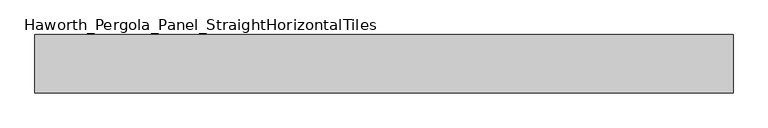
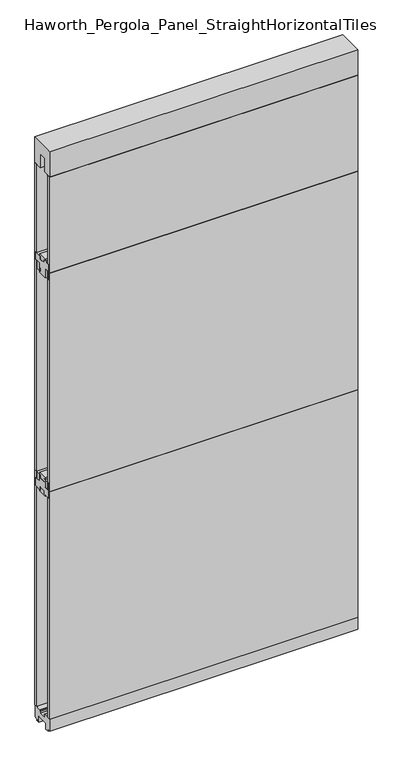
"""IFC4 building model written with IfcOpenShell, lengths in millimetres: furniture geometry, Haworth_Pergola_Panel_StraightHorizontalTiles."""

from ifc_helpers import new_model, si_unit, frame, origin, place, context, project, spatial, polyline, outline, extrude, source, transform, mapped, element, save


def haworth_pergola_panel_straighthorizontaltiles_8d0c8581(model_context):
    return source(origin(), model_context, "Body", "SweptSolid", [
        extrude(outline(polyline([(12.7, 984.25), (12.7, 996.95), (-12.7, 996.95), (-12.7, 984.25), (-44.45, 984.25), (-44.45, 1016.0), (-19.05, 1016.0), (-19.05, 1054.1), (19.05, 1054.1), (19.05, 1016.0), (44.45, 1016.0), (44.45, 984.25), (12.7, 984.25)])), frame((-571.5, 0.0, 0.0), z_axis=(1.0, 0.0, 0.0), x_axis=(0.0, 1.0, 0.0)), (0.0, 0.0, 1.0), 1219.2),
        extrude(outline(polyline([(12.7, 1962.15), (44.45, 1962.15), (44.45, 1930.4), (19.05, 1930.4), (19.05, 1892.3), (-19.05, 1892.3), (-19.05, 1930.4), (-44.45, 1930.4), (-44.45, 1962.15), (-12.7, 1962.15), (-12.7, 1949.45), (12.7, 1949.45), (12.7, 1962.15)])), frame((-571.5, 0.0, 0.0), z_axis=(1.0, 0.0, 0.0), x_axis=(0.0, 1.0, 0.0)), (0.0, 0.0, 1.0), 1219.2),
        extrude(outline(polyline([(-571.5, 50.8), (647.7, 50.8), (647.7, 38.1), (-571.5, 38.1), (-571.5, 50.8)])), frame((0.0, 0.0, 1016.0), z_axis=(0.0, 0.0, 1.0), x_axis=(1.0, 0.0, 0.0)), (0.0, 0.0, 1.0), 914.4),
        extrude(outline(polyline([(-571.5, -38.1), (647.7, -38.1), (647.7, -50.8), (-571.5, -50.8), (-571.5, -38.1)])), frame((0.0, 0.0, 1016.0), z_axis=(0.0, 0.0, 1.0), x_axis=(1.0, 0.0, 0.0)), (0.0, 0.0, 1.0), 914.4),
        extrude(outline(polyline([(12.7, 1898.65), (12.7, 1911.35), (-12.7, 1911.35), (-12.7, 1898.65), (-44.45, 1898.65), (-44.45, 1930.4), (-19.05, 1930.4), (-19.05, 1968.5), (19.05, 1968.5), (19.05, 1930.4), (44.45, 1930.4), (44.45, 1898.65), (12.7, 1898.65)])), frame((-571.5, 0.0, 0.0), z_axis=(1.0, 0.0, 0.0), x_axis=(0.0, 1.0, 0.0)), (0.0, 0.0, 1.0), 1219.2),
        extrude(outline(polyline([(-571.5, 50.8), (647.7, 50.8), (647.7, 38.1), (-571.5, 38.1), (-571.5, 50.8)])), frame((0.0, 0.0, 1930.4), z_axis=(0.0, 0.0, 1.0), x_axis=(1.0, 0.0, 0.0)), (0.0, 0.0, 1.0), 401.4390625),
        extrude(outline(polyline([(-571.5, -38.1), (647.7, -38.1), (647.7, -50.8), (-571.5, -50.8), (-571.5, -38.1)])), frame((0.0, 0.0, 1930.4), z_axis=(0.0, 0.0, 1.0), x_axis=(1.0, 0.0, 0.0)), (0.0, 0.0, 1.0), 401.4390625),
        extrude(outline(polyline([(12.7, 1047.75), (44.45, 1047.75), (44.45, 1016.0), (19.05, 1016.0), (19.05, 977.9), (-19.05, 977.9), (-19.05, 1016.0), (-44.45, 1016.0), (-44.45, 1047.75), (-12.7, 1047.75), (-12.7, 1035.05), (12.7, 1035.05), (12.7, 1047.75)])), frame((-571.5, 0.0, 0.0), z_axis=(1.0, 0.0, 0.0), x_axis=(0.0, 1.0, 0.0)), (0.0, 0.0, 1.0), 1219.2),
        extrude(outline(polyline([(-571.5, 50.8), (647.7, 50.8), (647.7, 38.1), (-571.5, 38.1), (-571.5, 50.8)])), frame((0.0, 0.0, 63.5), z_axis=(0.0, 0.0, 1.0), x_axis=(1.0, 0.0, 0.0)), (0.0, 0.0, 1.0), 952.5),
        extrude(outline(polyline([(-571.5, -38.1), (647.7, -38.1), (647.7, -50.8), (-571.5, -50.8), (-571.5, -38.1)])), frame((0.0, 0.0, 63.5), z_axis=(0.0, 0.0, 1.0), x_axis=(1.0, 0.0, 0.0)), (0.0, 0.0, 1.0), 952.5),
        extrude(outline(polyline([(-50.8, 2438.4), (50.8, 2438.4), (50.8, 2331.8390625), (15.2182948, 2331.8390625), (15.2182948, 2388.7001663), (-15.2182948, 2388.7001663), (-15.2182948, 2331.8390625), (-50.8, 2331.8390625), (-50.8, 2438.4)])), frame((-571.5, 0.0, 0.0), z_axis=(1.0, 0.0, 0.0), x_axis=(0.0, 1.0, 0.0)), (0.0, 0.0, 1.0), 1219.2),
        extrude(outline(polyline([(-16.2000002, 63.5), (-16.5085717, 61.7499999), (-13.3999996, 61.7499999), (-13.3999996, 58.8973461), (-15.4000002, 59.2499999), (-15.4000002, 48.3500004), (15.4000003, 48.3500004), (15.4000003, 59.2499999), (13.3999997, 58.8973461), (13.3999997, 61.7499999), (16.5085718, 61.7499999), (16.2000003, 63.5), (50.0000004, 63.5), (50.0000004, 12.6999985), (40.9499987, 12.6999985), (38.9499981, 10.6999979), (28.9499999, 10.6999979), (28.9499999, 7.6999994), (38.9499981, 7.6999994), (38.9499981, 5.6999988), (23.7499993, 5.6999988), (23.7499993, 31.4500009), (-23.7499992, 31.4500009), (-23.7499992, 5.6999988), (-38.949998, 5.6999988), (-38.949998, 7.6999994), (-28.9499998, 7.6999994), (-28.9499998, 10.6999979), (-38.949998, 10.6999979), (-40.9499986, 12.6999985), (-50.0000003, 12.6999985), (-50.0000003, 63.5), (-16.2000002, 63.5)])), frame((-571.5, 0.0, 0.0), z_axis=(1.0, 0.0, 0.0), x_axis=(0.0, 1.0, 0.0)), (0.0, 0.0, 1.0), 1219.2),
    ])


if __name__ == "__main__":
    model = new_model("IFC4")
    model_context = context("Model", 3, world=origin())
    ifc_project = project(units=[si_unit("LENGTHUNIT", "METRE", prefix="MILLI")], contexts=[model_context])
    site = spatial("IfcSite", under=ifc_project)
    building = spatial("IfcBuilding", under=site)
    placement = place(None, origin())
    haworth_pergola_panel_straighthorizontaltiles_shape = haworth_pergola_panel_straighthorizontaltiles_8d0c8581(model_context)
    element("IfcFurniture", 1, ObjectType="Haworth_Pergola_Panel_StraightHorizontalTiles", at=placement, inside=building, context=model_context, shape_type="MappedRepresentation", body=[
        mapped(haworth_pergola_panel_straighthorizontaltiles_shape, transform((0.0, 0.0, 0.0), x_axis=(1.0, 0.0, 0.0), y_axis=(0.0, 1.0, 0.0), z_axis=(0.0, 0.0, 1.0))),
    ])
    save(model, "model.ifc")
